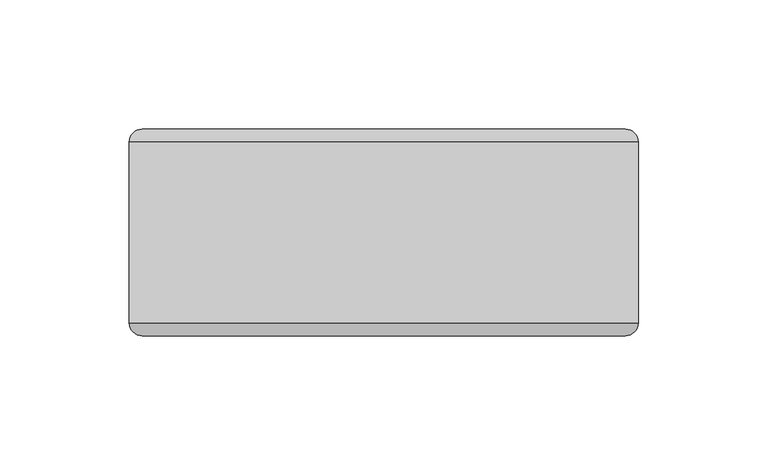
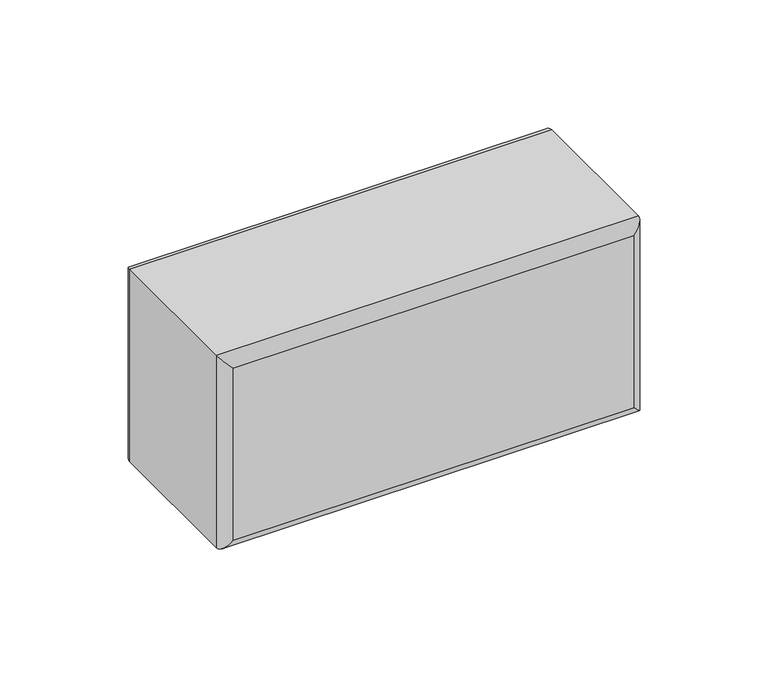
"""IFC4 building model written with IfcOpenShell, lengths in millimetres: plate geometry."""

from ifc_helpers import new_model, si_unit, frame, origin, place, context, project, spatial, ellipse_curve, source, transform, mapped, element, save
from ifc_brep_helpers import plane_surface, cylinder_surface, advanced_brep


def plate_e50a64bb(model_context):
    return source(origin(), model_context, "Body", "AdvancedBrep", [
        advanced_brep(
        [(-98.4249998, -35.0, 95.0), (98.5750002, -35.0, 95.0), (98.5750002, 35.0, 95.0), (-98.4249998, 35.0, 95.0), (98.5750002, -35.0, 0.0), (-98.4249998, -35.0, 0.0), (-98.4249998, 35.0, 0.0), (98.5750002, 35.0, 0.0), (-93.4249998, -40.0, 5.0), (93.5750002, -40.0, 5.0), (93.5750002, -40.0, 90.0), (-93.4249998, -40.0, 90.0), (93.5750002, 40.0, 5.0), (-93.4249998, 40.0, 5.0), (-93.4249998, 40.0, 90.0), (93.5750002, 40.0, 90.0)],
        [
            (0, 1),
            (1, 2),
            (2, 3),
            (3, 0),
            (4, 5),
            (5, 6),
            (6, 7),
            (7, 4),
            (8, 9),
            (9, 10),
            (10, 11),
            (11, 8),
            (1, 4),
            (7, 2),
            (12, 13),
            (13, 14),
            (14, 15),
            (15, 12),
            (5, 0),
            (3, 6),
            (4, 9, ellipse_curve(frame((93.5750002, -35.0, 5.0), z_axis=(-0.7071067811865475, 0.0, -0.7071067811865475), x_axis=(0.7071067811865476, 0.0, -0.7071067811865474)), 7.0710678, 5.0)),
            (8, 5, ellipse_curve(frame((-93.4249998, -35.0, 5.0), z_axis=(0.7071067811865475, 0.0, -0.7071067811865475), x_axis=(0.7071067811865476, 0.0, 0.7071067811865474)), 7.0710678, 5.0)),
            (1, 10, ellipse_curve(frame((93.5750002, -35.0, 90.0), z_axis=(0.7071067811865475, 0.0, -0.7071067811865475), x_axis=(0.7071067811865474, 0.0, 0.7071067811865476)), 7.0710678, 5.0)),
            (0, 11, ellipse_curve(frame((-93.4249998, -35.0, 90.0), z_axis=(0.7071067811865475, 0.0, 0.7071067811865475), x_axis=(-0.7071067811865476, 0.0, 0.7071067811865474)), 7.0710678, 5.0)),
            (12, 7, ellipse_curve(frame((93.5750002, 35.0, 5.0), z_axis=(-0.7071067811865475, 0.0, -0.7071067811865475), x_axis=(0.7071067811865476, 0.0, -0.7071067811865474)), 7.0710678, 5.0)),
            (6, 13, ellipse_curve(frame((-93.4249998, 35.0, 5.0), z_axis=(0.7071067811865475, 0.0, -0.7071067811865475), x_axis=(0.7071067811865476, 0.0, 0.7071067811865474)), 7.0710678, 5.0)),
            (15, 2, ellipse_curve(frame((93.5750002, 35.0, 90.0), z_axis=(0.7071067811865475, 0.0, -0.7071067811865475), x_axis=(0.7071067811865474, 0.0, 0.7071067811865476)), 7.0710678, 5.0)),
            (14, 3, ellipse_curve(frame((-93.4249998, 35.0, 90.0), z_axis=(0.7071067811865475, 0.0, 0.7071067811865475), x_axis=(-0.7071067811865476, 0.0, 0.7071067811865474)), 7.0710678, 5.0)),
        ],
        [
            plane_surface(frame((-98.4249998, -40.0, 95.0), z_axis=(0.0, 0.0, 1.0), x_axis=(1.0, 0.0, 0.0))),
            plane_surface(frame((-98.4249998, -40.0, 0.0), z_axis=(0.0, 0.0, -1.0), x_axis=(-1.0, 0.0, 0.0))),
            plane_surface(frame((-98.4249998, -40.0, 95.0), z_axis=(0.0, -1.0, 0.0), x_axis=(0.0, 0.0, -1.0))),
            plane_surface(frame((98.5750002, -40.0, 95.0), z_axis=(1.0, 0.0, 0.0), x_axis=(0.0, 0.0, -1.0))),
            plane_surface(frame((98.5750002, 40.0, 95.0), z_axis=(0.0, 1.0, 0.0), x_axis=(0.0, 0.0, -1.0))),
            plane_surface(frame((-98.4249998, 40.0, 95.0), z_axis=(-1.0, 0.0, 0.0), x_axis=(0.0, 0.0, -1.0))),
            cylinder_surface(frame((-98.4249998, -35.0, 5.0), z_axis=(1.0, 0.0, 0.0), x_axis=(0.0, 0.0, -1.0)), 5.0),
            cylinder_surface(frame((93.5750002, -35.0, 0.0), z_axis=(0.0, 0.0, 1.0), x_axis=(1.0, 0.0, 0.0)), 5.0),
            cylinder_surface(frame((98.5750002, -35.0, 90.0), z_axis=(-1.0, 0.0, 0.0), x_axis=(0.0, 0.0, 1.0)), 5.0),
            cylinder_surface(frame((-93.4249998, -35.0, 95.0), z_axis=(0.0, 0.0, -1.0), x_axis=(-1.0, 0.0, 0.0)), 5.0),
            cylinder_surface(frame((-98.4249998, 35.0, 5.0), z_axis=(1.0, 0.0, 0.0), x_axis=(0.0, 0.0, -1.0)), 5.0),
            cylinder_surface(frame((93.5750002, 35.0, 0.0), z_axis=(0.0, 0.0, 1.0), x_axis=(1.0, 0.0, 0.0)), 5.0),
            cylinder_surface(frame((98.5750002, 35.0, 90.0), z_axis=(-1.0, 0.0, 0.0), x_axis=(0.0, 0.0, 1.0)), 5.0),
            cylinder_surface(frame((-93.4249998, 35.0, 95.0), z_axis=(0.0, 0.0, -1.0), x_axis=(-1.0, 0.0, 0.0)), 5.0),
        ],
        [
            (0, [[1, 2, 3, 4]]),
            (1, [[5, 6, 7, 8]]),
            (2, [[9, 10, 11, 12]]),
            (3, [[13, -8, 14, -2]]),
            (4, [[15, 16, 17, 18]]),
            (5, [[19, -4, 20, -6]]),
            (6, [[21, -9, 22, -5]]),
            (7, [[-21, -13, 23, -10]]),
            (8, [[-23, -1, 24, -11]]),
            (9, [[-22, -12, -24, -19]]),
            (10, [[25, -7, 26, -15]]),
            (11, [[-25, -18, 27, -14]]),
            (12, [[-27, -17, 28, -3]]),
            (13, [[-26, -20, -28, -16]]),
        ],
    ),
    ])


if __name__ == "__main__":
    model = new_model("IFC4")
    model_context = context("Model", 3, world=origin())
    ifc_project = project(units=[si_unit("LENGTHUNIT", "METRE", prefix="MILLI")], contexts=[model_context])
    site = spatial("IfcSite", under=ifc_project)
    building = spatial("IfcBuilding", under=site)
    placement = place(None, origin())
    plate_shape = plate_e50a64bb(model_context)
    element("IfcPlate", 1, at=placement, inside=building, context=model_context, shape_type="MappedRepresentation", body=[
        mapped(plate_shape, transform((0.0, 0.0, 0.0), x_axis=(1.0, 0.0, 0.0), y_axis=(0.0, 1.0, 0.0), z_axis=(0.0, 0.0, 1.0))),
    ])
    save(model, "model.ifc")
